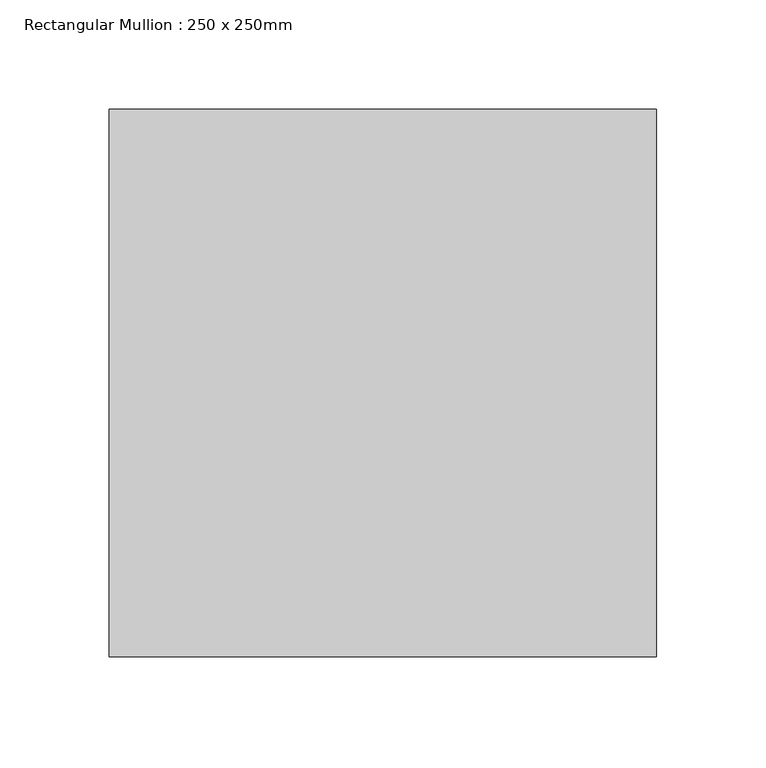
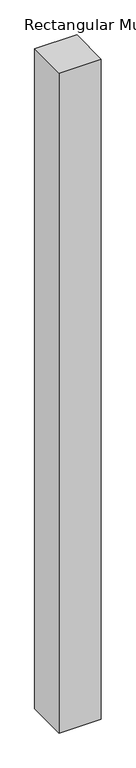
"""IFC4 building model written with IfcOpenShell, lengths in millimetres: member geometry, Rectangular Mullion : 250 x 250mm."""

from ifc_helpers import new_model, si_unit, frame, origin, place, context, project, spatial, polyline, outline, extrude, source, transform, mapped, element, save


def rectangular_mullion_250_x_250mm_45c8c3f3(model_context):
    return source(origin(), model_context, "Body", "SweptSolid", [
        extrude(outline(polyline([(0.0, 125.0), (0.0, -125.0), (-250.0, -125.0), (-250.0, 125.0), (0.0, 125.0)])), frame((0.0, 0.0, -4141.1047216), z_axis=(0.0, 0.0, 1.0), x_axis=(1.0, 0.0, 0.0)), (0.0, 0.0, 1.0), 4141.1047216),
    ])


if __name__ == "__main__":
    model = new_model("IFC4")
    model_context = context("Model", 3, world=origin())
    ifc_project = project(units=[si_unit("LENGTHUNIT", "METRE", prefix="MILLI")], contexts=[model_context])
    site = spatial("IfcSite", under=ifc_project)
    building = spatial("IfcBuilding", under=site)
    placement = place(None, origin())
    rectangular_mullion_250_x_250mm_shape = rectangular_mullion_250_x_250mm_45c8c3f3(model_context)
    element("IfcMember", 1, ObjectType="Rectangular Mullion : 250 x 250mm", at=placement, inside=building, context=model_context, shape_type="MappedRepresentation", body=[
        mapped(rectangular_mullion_250_x_250mm_shape, transform((0.0, 0.0, 0.0), x_axis=(1.0, 0.0, 0.0), y_axis=(0.0, 1.0, 0.0), z_axis=(0.0, 0.0, 1.0))),
    ])
    save(model, "model.ifc")
